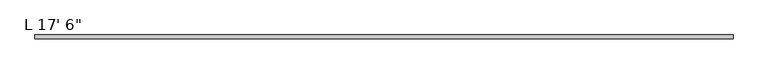
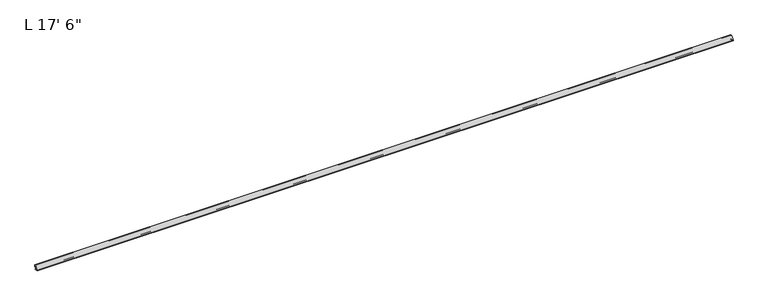
"""IFC4 building model written with IfcOpenShell, lengths in millimetres: proxy geometry."""

from ifc_helpers import new_model, si_unit, frame, origin, place, context, project, spatial, polyline, circle_curve, source, transform, mapped, element, save
from ifc_brep_helpers import plane_surface, cylinder_surface, revolved_surface, advanced_brep


def proxy_9a3fe20d(model_context):
    return source(origin(), model_context, "Body", "AdvancedBrep", [
        advanced_brep(
        [(5334.0, -9.9409866, 13.2079309), (5334.0, -25.2852988, 13.2299581), (5334.0, -26.8577822, 15.0181548), (5334.0, -3.421819, 38.3869285), (5334.0, -1.6381444, 36.8093175), (5334.0, -1.6445801, 32.3261378), (5334.0, -3.2187765, 30.7409724), (5334.0, -4.8423977, 30.4486422), (5334.0, -5.8886785, 28.9585271), (5334.0, -5.8942106, 25.1047795), (5334.0, -4.408503, 24.3218465), (5334.0, -4.408503, 25.2753318), (5334.0, -4.6453387, 26.1592146), (5334.0, -4.408503, 27.0430975), (5334.0, -4.6453387, 27.9269803), (5334.0, -4.3772219, 28.9276058), (5334.0, -2.0782154, 28.964728), (5334.0, -1.8001518, 27.9269803), (5334.0, -2.0369875, 27.0430975), (5334.0, -1.8001518, 26.1592146), (5334.0, -2.0369875, 25.2753318), (5334.0, -2.0369875, 24.3042215), (5334.0, -0.7961613, 24.3024403), (5334.0, 0.0, 25.0974594), (5334.0, 0.0, 40.1811514), (5334.0, -28.661793, 11.6473035), (5334.0, -24.9209577, 11.6419334), (5334.0, -21.7713609, 11.6374121), (5334.0, -17.1866657, 11.6308306), (5334.0, -14.0370689, 11.6263093), (5334.0, -11.2811717, 11.6223531), (5334.0, -9.6959523, 10.0325759), (5334.0, -7.9637322, 10.0325759), (5334.0, -8.1699585, 9.0623577), (5334.0, -7.9490433, 8.2919351), (5334.0, -8.1398857, 7.5265082), (5334.0, -7.972318, 6.7214745), (5334.0, -8.1655958, 5.9462793), (5334.0, -7.9834986, 5.0714427), (5334.0, -8.1776372, 4.2927955), (5334.0, -7.9880038, 3.3817532), (5334.0, -8.1786509, 2.4848291), (5334.0, -7.9862027, 1.6851507), (5334.0, -8.1553262, 0.8894873), (5334.0, -7.8893268, 0.0060645), (5334.0, -6.1091347, 0.0), (5334.0, -5.5808077, 0.6581076), (5334.0, -5.9684988, 1.3575208), (5334.0, -5.6321023, 2.0789255), (5334.0, -5.9631778, 2.7889192), (5334.0, -5.6042879, 3.5585611), (5334.0, -5.934397, 4.2664822), (5334.0, -5.5944321, 4.9955392), (5334.0, -5.9294957, 5.7140853), (5334.0, -5.5991801, 6.4224493), (5334.0, -6.0051261, 7.0980568), (5334.0, -5.5986989, 7.8345551), (5334.0, -5.9337229, 8.5870312), (5334.0, -5.5657997, 9.2789941), (5334.0, -5.8977295, 9.99082), (5334.0, -5.8977295, 11.6146251), (0.0, -9.9409866, 13.2079309), (0.0, -5.8977295, 11.6146251), (0.0, -5.8977295, 9.99082), (0.0, -9.6959523, 10.0325759), (0.0, -11.2811717, 11.6223531), (0.0, -14.0370689, 11.6263093), (0.0, -17.1866657, 11.6308306), (0.0, -21.7713609, 11.6374121), (0.0, -24.9209577, 11.6419334), (0.0, -28.661793, 11.6473035), (0.0, 0.0, 40.1811514), (0.0, 0.0, 25.0974594), (0.0, -0.7961613, 24.3024403), (0.0, -2.0369875, 24.3042215), (0.0, -2.0369875, 25.2753318), (0.0, -1.8001518, 26.1592146), (0.0, -2.0369875, 27.0430975), (0.0, -1.8001518, 27.9269803), (0.0, -2.0782154, 28.964728), (0.0, -4.3772219, 28.9276058), (0.0, -4.6453387, 27.9269803), (0.0, -4.408503, 27.0430975), (0.0, -4.6453387, 26.1592146), (0.0, -4.408503, 25.2753318), (0.0, -4.408503, 24.3218465), (0.0, -5.8942106, 25.1047795), (0.0, -5.8886785, 28.9585271), (0.0, -4.8423977, 30.4486422), (0.0, -3.2187765, 30.7409724), (0.0, -1.6445801, 32.3261378), (0.0, -1.6381444, 36.8093175), (0.0, -3.421819, 38.3869285), (0.0, -26.8577822, 15.0181548), (0.0, -25.2852988, 13.2299581), (50.8, -5.8977295, 10.0325759), (50.8, -7.9637322, 10.0325759), (50.8, -8.1699585, 9.0623577), (50.8, -7.9490433, 8.2919351), (50.8, -8.1398857, 7.5265082), (50.8, -7.972318, 6.7214745), (50.8, -8.1655958, 5.9462793), (50.8, -7.9834986, 5.0714427), (50.8, -8.1776372, 4.2927955), (50.8, -7.9880038, 3.3817532), (50.8, -8.1786509, 2.4848291), (50.8, -7.9862027, 1.6851507), (50.8, -8.1553262, 0.8894873), (50.8, -7.8893268, 0.0060645), (50.8, -6.1091347, 0.0), (50.8, -5.5808077, 0.6581076), (50.8, -5.9684988, 1.3575208), (50.8, -5.6321023, 2.0789255), (50.8, -5.9631778, 2.7889192), (50.8, -5.6042879, 3.5585611), (50.8, -5.934397, 4.2664822), (50.8, -5.5944321, 4.9955392), (50.8, -5.9294957, 5.7140853), (50.8, -5.5991801, 6.4224493), (50.8, -6.0051261, 7.0980568), (50.8, -5.5986989, 7.8345551), (50.8, -5.9337229, 8.5870312), (50.8, -5.5657997, 9.2789941)],
        [
            (0, 1),
            (1, 2, circle_curve(frame((5334.0, -25.2830199, 14.8174564), z_axis=(-1.0, 0.0, 0.0), x_axis=(0.0, 1.0, 0.0)), 1.5875)),
            (2, 3, circle_curve(frame((5334.0, -0.0868224, 11.6062833), z_axis=(-1.0, 0.0, 0.0), x_axis=(0.0, 1.0, 0.0)), 26.9875)),
            (3, 4, circle_curve(frame((5334.0, -3.2256427, 36.8115964), z_axis=(-1.0, 0.0, 0.0), x_axis=(0.0, 1.0, 0.0)), 1.5875)),
            (4, 5),
            (5, 6, circle_curve(frame((5334.0, -3.2320785, 32.3284167), z_axis=(-1.0, 0.0, 0.0), x_axis=(0.0, 1.0, 0.0)), 1.5875)),
            (6, 7, circle_curve(frame((5334.0, -3.1778658, 25.8587375), z_axis=(1.0, 0.0, 0.0), x_axis=(0.0, 1.0, 0.0)), 4.8824063)),
            (7, 8, circle_curve(frame((5334.0, -4.3011801, 28.9562482), z_axis=(1.0, 0.0, 0.0), x_axis=(0.0, 1.0, 0.0)), 1.5875)),
            (8, 9),
            (9, 10, circle_curve(frame((5334.0, -4.6497232, 25.6652219), z_axis=(1.0, 0.0, 0.0), x_axis=(0.0, 1.0, 0.0)), 1.3648606)),
            (10, 11),
            (11, 12),
            (12, 13),
            (13, 14),
            (14, 15),
            (15, 16, circle_curve(frame((5334.0, -3.1778658, 25.8587375), z_axis=(-1.0, 0.0, 0.0), x_axis=(0.0, 1.0, 0.0)), 3.2949063)),
            (16, 17),
            (17, 18),
            (18, 19),
            (19, 20),
            (20, 21),
            (21, 22),
            (22, 23, circle_curve(frame((5334.0, -0.79502, 25.0974594), z_axis=(1.0, 0.0, 0.0), x_axis=(0.0, 1.0, 0.0)), 0.79502)),
            (23, 24),
            (24, 25, circle_curve(frame((5334.0, -0.0868224, 11.6062833), z_axis=(1.0, 0.0, 0.0), x_axis=(0.0, 1.0, 0.0)), 28.575)),
            (25, 26),
            (26, 27, circle_curve(frame((5334.0, -23.3461593, 11.6396728), z_axis=(1.0, 0.0, 0.0), x_axis=(0.0, 1.0, 0.0)), 1.5748)),
            (27, 28),
            (28, 29, circle_curve(frame((5334.0, -15.6117367, 11.7195553), z_axis=(1.0, 0.0, 0.0), x_axis=(0.0, 1.0, 0.0)), 1.5774262)),
            (29, 30),
            (30, 31, circle_curve(frame((5334.0, -11.2834506, 10.0348548), z_axis=(-1.0, 0.0, 0.0), x_axis=(0.0, 1.0, 0.0)), 1.5875)),
            (31, 32),
            (32, 33),
            (33, 34),
            (34, 35),
            (35, 36),
            (36, 37),
            (37, 38),
            (38, 39),
            (39, 40),
            (40, 41),
            (41, 42),
            (42, 43),
            (43, 44),
            (44, 45, circle_curve(frame((5334.0, -7.0030343, -1.113481), z_axis=(-1.0, 0.0, 0.0), x_axis=(0.0, 1.0, 0.0)), 1.4278993)),
            (45, 46),
            (46, 47),
            (47, 48),
            (48, 49),
            (49, 50),
            (50, 51),
            (51, 52),
            (52, 53),
            (53, 54),
            (54, 55),
            (55, 56),
            (56, 57),
            (57, 58),
            (58, 59),
            (59, 60),
            (60, 0),
            (61, 62),
            (62, 63),
            (63, 64),
            (64, 65, circle_curve(frame((0.0, -11.2834506, 10.0348548), z_axis=(1.0, 0.0, 0.0), x_axis=(0.0, 1.0, 0.0)), 1.5875)),
            (65, 66),
            (66, 67, circle_curve(frame((0.0, -15.6117367, 11.7195553), z_axis=(-1.0, 0.0, 0.0), x_axis=(0.0, 1.0, 0.0)), 1.5774262)),
            (67, 68),
            (68, 69, circle_curve(frame((0.0, -23.3461593, 11.6396728), z_axis=(-1.0, 0.0, 0.0), x_axis=(0.0, 1.0, 0.0)), 1.5748)),
            (69, 70),
            (70, 71, circle_curve(frame((0.0, -0.0868224, 11.6062833), z_axis=(-1.0, 0.0, 0.0), x_axis=(0.0, 1.0, 0.0)), 28.575)),
            (71, 72),
            (72, 73, circle_curve(frame((0.0, -0.79502, 25.0974594), z_axis=(-1.0, 0.0, 0.0), x_axis=(0.0, 1.0, 0.0)), 0.79502)),
            (73, 74),
            (74, 75),
            (75, 76),
            (76, 77),
            (77, 78),
            (78, 79),
            (79, 80, circle_curve(frame((0.0, -3.1778658, 25.8587375), z_axis=(1.0, 0.0, 0.0), x_axis=(0.0, 1.0, 0.0)), 3.2949063)),
            (80, 81),
            (81, 82),
            (82, 83),
            (83, 84),
            (84, 85),
            (85, 86, circle_curve(frame((0.0, -4.6497232, 25.6652219), z_axis=(-1.0, 0.0, 0.0), x_axis=(0.0, 1.0, 0.0)), 1.3648606)),
            (86, 87),
            (87, 88, circle_curve(frame((0.0, -4.3011801, 28.9562482), z_axis=(-1.0, 0.0, 0.0), x_axis=(0.0, 1.0, 0.0)), 1.5875)),
            (88, 89, circle_curve(frame((0.0, -3.1778658, 25.8587375), z_axis=(-1.0, 0.0, 0.0), x_axis=(0.0, 1.0, 0.0)), 4.8824063)),
            (89, 90, circle_curve(frame((0.0, -3.2320785, 32.3284167), z_axis=(1.0, 0.0, 0.0), x_axis=(0.0, 1.0, 0.0)), 1.5875)),
            (90, 91),
            (91, 92, circle_curve(frame((0.0, -3.2256427, 36.8115964), z_axis=(1.0, 0.0, 0.0), x_axis=(0.0, 1.0, 0.0)), 1.5875)),
            (92, 93, circle_curve(frame((0.0, -0.0868224, 11.6062833), z_axis=(1.0, 0.0, 0.0), x_axis=(0.0, 1.0, 0.0)), 26.9875)),
            (93, 94, circle_curve(frame((0.0, -25.2830199, 14.8174564), z_axis=(1.0, 0.0, 0.0), x_axis=(0.0, 1.0, 0.0)), 1.5875)),
            (94, 61),
            (0, 61),
            (94, 1),
            (93, 2),
            (92, 3),
            (91, 4),
            (90, 5),
            (89, 6),
            (88, 7),
            (87, 8),
            (86, 9),
            (85, 10),
            (84, 11),
            (83, 12),
            (82, 13),
            (81, 14),
            (80, 15),
            (79, 16),
            (78, 17),
            (77, 18),
            (76, 19),
            (75, 20),
            (74, 21),
            (73, 22),
            (72, 23),
            (71, 24),
            (70, 25),
            (69, 26),
            (68, 27),
            (67, 28),
            (66, 29),
            (65, 30),
            (64, 31),
            (63, 95),
            (95, 96),
            (96, 32),
            (96, 97),
            (97, 33),
            (97, 98),
            (98, 34),
            (98, 99),
            (99, 35),
            (99, 100),
            (100, 36),
            (100, 101),
            (101, 37),
            (101, 102),
            (102, 38),
            (102, 103),
            (103, 39),
            (103, 104),
            (104, 40),
            (104, 105),
            (105, 41),
            (105, 106),
            (106, 42),
            (106, 107),
            (107, 43),
            (107, 108),
            (108, 44),
            (108, 109, circle_curve(frame((50.8, -7.0030343, -1.113481), z_axis=(-1.0, 0.0, 0.0), x_axis=(0.0, 1.0, 0.0)), 1.4278993)),
            (109, 45),
            (109, 110),
            (110, 46),
            (110, 111),
            (111, 47),
            (111, 112),
            (112, 48),
            (112, 113),
            (113, 49),
            (113, 114),
            (114, 50),
            (114, 115),
            (115, 51),
            (115, 116),
            (116, 52),
            (116, 117),
            (117, 53),
            (117, 118),
            (118, 54),
            (118, 119),
            (119, 55),
            (119, 120),
            (120, 56),
            (120, 121),
            (121, 57),
            (121, 122),
            (122, 58),
            (122, 95),
            (95, 59),
            (62, 60),
        ],
        [
            plane_surface(frame((5334.0, -25.2852988, 13.2299581), z_axis=(1.0000000000000002, 0.0, 0.0), x_axis=(0.0, -0.9999989696321183, 0.0014355259321180123))),
            plane_surface(frame((0.0, -25.2852988, 13.2299581), z_axis=(-1.0000000000000002, 0.0, 0.0), x_axis=(0.0, 0.9999989696321183, -0.0014355259321180123))),
            plane_surface(frame((5334.0, -9.9409866, 13.2079309), z_axis=(0.0, 0.0014355259321180123, 0.9999989696321183), x_axis=(-1.0, 0.0, 0.0))),
            revolved_surface(polyline([(0.0, -23.6955199, 14.8174564), (5334.0, -23.6955199, 14.8174564)]), (0.0, -25.2830199, 14.8174564), (-1.0, 0.0, 0.0)),
            revolved_surface(polyline([(0.0, 26.9006776, 11.6062833), (5334.0, 26.9006776, 11.6062833)]), (0.0, -0.0868224, 11.6062833), (-1.0, 0.0, 0.0)),
            revolved_surface(polyline([(0.0, -1.6381427, 36.8115964), (5334.0, -1.6381427, 36.8115964)]), (0.0, -3.2256427, 36.8115964), (-1.0, 0.0, 0.0)),
            plane_surface(frame((5334.0, -1.6381444, 36.8093175), z_axis=(0.0, -0.9999989696321232, 0.0014355259287207938), x_axis=(-1.0, 0.0, 0.0))),
            revolved_surface(polyline([(0.0, -1.6445785000000002, 32.3284167), (5334.0, -1.6445785000000002, 32.3284167)]), (0.0, -3.2320785, 32.3284167), (-1.0, 0.0, 0.0)),
            cylinder_surface(frame((0.0, -3.1778658, 25.8587375), z_axis=(1.0, 0.0, 0.0), x_axis=(0.0, 1.0, 0.0)), 4.8824063),
            cylinder_surface(frame((0.0, -4.3011801, 28.9562482), z_axis=(1.0, 0.0, 0.0), x_axis=(0.0, 1.0, 0.0)), 1.5875),
            plane_surface(frame((5334.0, -5.8886785, 28.9585271), z_axis=(0.0, -0.9999989696323093, 0.0014355257991508098), x_axis=(-1.0, 0.0, 0.0))),
            cylinder_surface(frame((0.0, -4.6497232, 25.6652219), z_axis=(1.0, 0.0, 0.0), x_axis=(0.0, 1.0, 0.0)), 1.3648606),
            plane_surface(frame((5334.0, -4.408503, 24.3218465), z_axis=(0.0, 1.0, 0.0), x_axis=(-1.0, 0.0, 0.0))),
            plane_surface(frame((5334.0, -4.408503, 25.2753318), z_axis=(0.0, 0.965925826289068, 0.2588190451025222), x_axis=(-1.0, 0.0, 0.0))),
            plane_surface(frame((5334.0, -4.6453387, 26.1592146), z_axis=(0.0, 0.965925826289067, -0.2588190451025257), x_axis=(-1.0, 0.0, 0.0))),
            plane_surface(frame((5334.0, -4.408503, 27.0430975), z_axis=(0.0, 0.9659258262890689, 0.25881904510251874), x_axis=(-1.0, 0.0, 0.0))),
            plane_surface(frame((5334.0, -4.6453387, 27.9269803), z_axis=(0.0, 0.9659258262890673, -0.25881904510252446), x_axis=(-1.0, 0.0, 0.0))),
            revolved_surface(polyline([(0.0, 0.11704049999999988, 25.8587375), (5334.0, 0.11704049999999988, 25.8587375)]), (0.0, -3.1778658, 25.8587375), (-1.0, 0.0, 0.0)),
            plane_surface(frame((5334.0, -2.0782154, 28.964728), z_axis=(0.0, -0.9659258262890682, -0.2588190451025213), x_axis=(-1.0, 0.0, 0.0))),
            plane_surface(frame((5334.0, -1.8001518, 27.9269803), z_axis=(0.0, -0.9659258262890678, 0.2588190451025232), x_axis=(-1.0, 0.0, 0.0))),
            plane_surface(frame((5334.0, -2.0369875, 27.0430975), z_axis=(0.0, -0.9659258262890688, -0.25881904510251924), x_axis=(-1.0, 0.0, 0.0))),
            plane_surface(frame((5334.0, -1.8001518, 26.1592146), z_axis=(0.0, -0.9659258262890672, 0.25881904510252524), x_axis=(-1.0, 0.0, 0.0))),
            plane_surface(frame((5334.0, -2.0369875, 25.2753318), z_axis=(0.0, -1.0, 0.0), x_axis=(-1.0, 0.0, 0.0))),
            plane_surface(frame((5334.0, -2.0369875, 24.3042215), z_axis=(0.0, -0.0014355258693928513, -0.9999989696322084), x_axis=(-1.0, 0.0, 0.0))),
            cylinder_surface(frame((0.0, -0.79502, 25.0974594), z_axis=(1.0, 0.0, 0.0), x_axis=(0.0, 1.0, 0.0)), 0.79502),
            plane_surface(frame((5334.0, 0.0, 25.0974594), z_axis=(0.0, 1.0, -1.6740181840680922e-12), x_axis=(-1.0, 0.0, 0.0))),
            cylinder_surface(frame((0.0, -0.0868224, 11.6062833), z_axis=(1.0, 0.0, 0.0), x_axis=(0.0, 1.0, 0.0)), 28.575),
            plane_surface(frame((5334.0, -28.661793, 11.6473035), z_axis=(0.0, -0.0014355259265452364, -0.9999989696321263), x_axis=(-1.0, 0.0, 0.0))),
            cylinder_surface(frame((0.0, -23.3461593, 11.6396728), z_axis=(1.0, 0.0, 0.0), x_axis=(0.0, 1.0, 0.0)), 1.5748),
            plane_surface(frame((5334.0, -21.7713609, 11.6374121), z_axis=(0.0, -0.0014355259252456774, -0.9999989696321282), x_axis=(-1.0, 0.0, 0.0))),
            cylinder_surface(frame((0.0, -15.6117367, 11.7195553), z_axis=(1.0, 0.0, 0.0), x_axis=(0.0, 1.0, 0.0)), 1.5774262),
            plane_surface(frame((5334.0, -14.0370689, 11.6263093), z_axis=(0.0, -0.0014355258904069552, -0.9999989696321782), x_axis=(-1.0, 0.0, 0.0))),
            revolved_surface(polyline([(0.0, -9.6959506, 10.0348548), (5334.0, -9.6959506, 10.0348548)]), (0.0, -11.2834506, 10.0348548), (-1.0, 0.0, 0.0)),
            plane_surface(frame((5334.0, -9.6959523, 10.0325759), z_axis=(0.0, 0.0, -1.0), x_axis=(-1.0, 0.0, 0.0))),
            plane_surface(frame((5334.0, -7.9637322, 10.0325759), z_axis=(0.0, -0.9781476007338082, 0.20791169081774724), x_axis=(-1.0, 0.0, 0.0))),
            plane_surface(frame((5334.0, -8.1699585, 9.0623577), z_axis=(0.0, -0.9612616959383189, -0.275637355816999), x_axis=(-1.0, 0.0, 0.0))),
            plane_surface(frame((5334.0, -7.9490433, 8.2919351), z_axis=(0.0, -0.9702957262759963, 0.2419218955996685), x_axis=(-1.0, 0.0, 0.0))),
            plane_surface(frame((5334.0, -8.1398857, 7.5265082), z_axis=(0.0, -0.979016250472178, -0.20378219085925484), x_axis=(-1.0, 0.0, 0.0))),
            plane_surface(frame((5334.0, -7.972318, 6.7214745), z_axis=(0.0, -0.9702957262759963, 0.24192189559966876), x_axis=(-1.0, 0.0, 0.0))),
            plane_surface(frame((5334.0, -8.1655958, 5.9462793), z_axis=(0.0, -0.9790162504721779, -0.20378219085925506), x_axis=(-1.0, 0.0, 0.0))),
            plane_surface(frame((5334.0, -7.9834986, 5.0714427), z_axis=(0.0, -0.9702957262759974, 0.24192189559966443), x_axis=(-1.0, 0.0, 0.0))),
            plane_surface(frame((5334.0, -8.1776372, 4.2927955), z_axis=(0.0, -0.9790162504721778, -0.20378219085925559), x_axis=(-1.0, 0.0, 0.0))),
            plane_surface(frame((5334.0, -7.9880038, 3.3817532), z_axis=(0.0, -0.978147600733807, 0.20791169081775282), x_axis=(-1.0, 0.0, 0.0))),
            plane_surface(frame((5334.0, -8.1786509, 2.4848291), z_axis=(0.0, -0.9722421717392606, -0.23397683537420133), x_axis=(-1.0, 0.0, 0.0))),
            plane_surface(frame((5334.0, -7.9862027, 1.6851507), z_axis=(0.0, -0.978147600733807, 0.2079116908177529), x_axis=(-1.0, 0.0, 0.0))),
            plane_surface(frame((5334.0, -8.1553262, 0.8894873), z_axis=(0.0, -0.9575356612911569, -0.2883148580210653), x_axis=(-1.0, 0.0, 0.0))),
            revolved_surface(polyline([(50.8, -5.575135, -1.113481), (5334.0, -5.575135, -1.113481)]), (0.0, -7.0030343, -1.113481), (-1.0, 0.0, 0.0)),
            plane_surface(frame((5334.0, -6.1091347, 0.0), z_axis=(0.0, 0.7798035897341163, -0.6260242498799756), x_axis=(-1.0, 0.0, 0.0))),
            plane_surface(frame((5334.0, -5.5808077, 0.6581076), z_axis=(0.0, 0.8746197071393959, 0.48480962024633695), x_axis=(-1.0, 0.0, 0.0))),
            plane_surface(frame((5334.0, -5.9684988, 1.3575208), z_axis=(0.0, 0.9063077870366543, -0.42261826174069034), x_axis=(-1.0, 0.0, 0.0))),
            plane_surface(frame((5334.0, -5.6321023, 2.0789255), z_axis=(0.0, 0.9063077870366497, 0.4226182617407002), x_axis=(-1.0, 0.0, 0.0))),
            plane_surface(frame((5334.0, -5.9631778, 2.7889192), z_axis=(0.0, 0.9063077870366467, -0.4226182617407064), x_axis=(-1.0, 0.0, 0.0))),
            plane_surface(frame((5334.0, -5.6042879, 3.5585611), z_axis=(0.0, 0.9063077870366527, 0.4226182617406936), x_axis=(-1.0, 0.0, 0.0))),
            plane_surface(frame((5334.0, -5.934397, 4.2664822), z_axis=(0.0, 0.9063077870366474, -0.4226182617407052), x_axis=(-1.0, 0.0, 0.0))),
            plane_surface(frame((5334.0, -5.5944321, 4.9955392), z_axis=(0.0, 0.9063077870366503, 0.42261826174069883), x_axis=(-1.0, 0.0, 0.0))),
            plane_surface(frame((5334.0, -5.9294957, 5.7140853), z_axis=(0.0, 0.9063077870366522, -0.4226182617406949), x_axis=(-1.0, 0.0, 0.0))),
            plane_surface(frame((5334.0, -5.5991801, 6.4224493), z_axis=(0.0, 0.8571673007021121, 0.5150380749100546), x_axis=(-1.0, 0.0, 0.0))),
            plane_surface(frame((5334.0, -6.0051261, 7.0980568), z_axis=(0.0, 0.8755358100350454, -0.48315323174566155), x_axis=(-1.0, 0.0, 0.0))),
            plane_surface(frame((5334.0, -5.5986989, 7.8345551), z_axis=(0.0, 0.9135454576426009, 0.4067366430758003), x_axis=(-1.0, 0.0, 0.0))),
            plane_surface(frame((5334.0, -5.9337229, 8.5870312), z_axis=(0.0, 0.8829475928589274, -0.46947156278588986), x_axis=(-1.0, 0.0, 0.0))),
            plane_surface(frame((5334.0, -5.5657997, 9.2789941), z_axis=(0.0, 0.9063077870366524, 0.4226182617406945), x_axis=(-1.0, 0.0, 0.0))),
            plane_surface(frame((5334.0, -5.8977295, 9.99082), z_axis=(0.0, 1.0, 0.0), x_axis=(-1.0, 0.0, 0.0))),
            plane_surface(frame((5334.0, -5.8977295, 11.6146251), z_axis=(0.0, 0.36662562361540507, 0.9303685571366948), x_axis=(-1.0, 0.0, 0.0))),
            plane_surface(frame((50.8, -10.2605909, 0.0), z_axis=(-1.0, 0.0, 0.0), x_axis=(0.0, 1.0, 0.0))),
        ],
        [
            (0, [[1, 2, 3, 4, 5, 6, 7, 8, 9, 10, 11, 12, 13, 14, 15, 16, 17, 18, 19, 20, 21, 22, 23, 24, 25, 26, 27, 28, 29, 30, 31, 32, 33, 34, 35, 36, 37, 38, 39, 40, 41, 42, 43, 44, 45, 46, 47, 48, 49, 50, 51, 52, 53, 54, 55, 56, 57, 58, 59, 60, 61]]),
            (1, [[62, 63, 64, 65, 66, 67, 68, 69, 70, 71, 72, 73, 74, 75, 76, 77, 78, 79, 80, 81, 82, 83, 84, 85, 86, 87, 88, 89, 90, 91, 92, 93, 94, 95]]),
            (2, [[-1, 96, -95, 97]]),
            (3, [[-2, -97, -94, 98]]),
            (4, [[-3, -98, -93, 99]]),
            (5, [[-4, -99, -92, 100]]),
            (6, [[-5, -100, -91, 101]]),
            (7, [[-6, -101, -90, 102]]),
            (8, [[-7, -102, -89, 103]]),
            (9, [[-8, -103, -88, 104]]),
            (10, [[-9, -104, -87, 105]]),
            (11, [[-10, -105, -86, 106]]),
            (12, [[-11, -106, -85, 107]]),
            (13, [[-12, -107, -84, 108]]),
            (14, [[-13, -108, -83, 109]]),
            (15, [[-14, -109, -82, 110]]),
            (16, [[-15, -110, -81, 111]]),
            (17, [[-16, -111, -80, 112]]),
            (18, [[-17, -112, -79, 113]]),
            (19, [[-18, -113, -78, 114]]),
            (20, [[-19, -114, -77, 115]]),
            (21, [[-20, -115, -76, 116]]),
            (22, [[-21, -116, -75, 117]]),
            (23, [[-22, -117, -74, 118]]),
            (24, [[-23, -118, -73, 119]]),
            (25, [[-24, -119, -72, 120]]),
            (26, [[-25, -120, -71, 121]]),
            (27, [[-26, -121, -70, 122]]),
            (28, [[-27, -122, -69, 123]]),
            (29, [[-28, -123, -68, 124]]),
            (30, [[-29, -124, -67, 125]]),
            (31, [[-30, -125, -66, 126]]),
            (32, [[127, -31, -126, -65]]),
            (33, [[-32, -127, -64, 128, 129, 130]]),
            (34, [[-33, -130, 131, 132]]),
            (35, [[-34, -132, 133, 134]]),
            (36, [[-35, -134, 135, 136]]),
            (37, [[-36, -136, 137, 138]]),
            (38, [[-37, -138, 139, 140]]),
            (39, [[-38, -140, 141, 142]]),
            (40, [[-39, -142, 143, 144]]),
            (41, [[-40, -144, 145, 146]]),
            (42, [[-41, -146, 147, 148]]),
            (43, [[-42, -148, 149, 150]]),
            (44, [[-43, -150, 151, 152]]),
            (45, [[-44, -152, 153, 154]]),
            (46, [[-45, -154, 155, 156]]),
            (47, [[-46, -156, 157, 158]]),
            (48, [[-47, -158, 159, 160]]),
            (49, [[-48, -160, 161, 162]]),
            (50, [[-49, -162, 163, 164]]),
            (51, [[-50, -164, 165, 166]]),
            (52, [[-51, -166, 167, 168]]),
            (53, [[-52, -168, 169, 170]]),
            (54, [[-53, -170, 171, 172]]),
            (55, [[-54, -172, 173, 174]]),
            (56, [[-55, -174, 175, 176]]),
            (57, [[-56, -176, 177, 178]]),
            (58, [[-57, -178, 179, 180]]),
            (59, [[-58, -180, 181, 182]]),
            (60, [[-59, -182, 183, 184]]),
            (61, [[-60, -184, -128, -63, 185]]),
            (62, [[-61, -185, -62, -96]]),
            (63, [[-129, -183, -181, -179, -177, -175, -173, -171, -169, -167, -165, -163, -161, -159, -157, -155, -153, -151, -149, -147, -145, -143, -141, -139, -137, -135, -133, -131]]),
        ],
    ),
    ])


if __name__ == "__main__":
    model = new_model("IFC4")
    model_context = context("Model", 3, world=origin())
    ifc_project = project(units=[si_unit("LENGTHUNIT", "METRE", prefix="MILLI")], contexts=[model_context])
    site = spatial("IfcSite", under=ifc_project)
    building = spatial("IfcBuilding", under=site)
    placement = place(None, origin())
    proxy_shape = proxy_9a3fe20d(model_context)
    element("IfcBuildingElementProxy", 1, Name="L 17' 6\"", ObjectType="L 17' 6\"", at=placement, inside=building, context=model_context, shape_type="MappedRepresentation", body=[
        mapped(proxy_shape, transform((0.0, 0.0, 0.0), x_axis=(1.0, 0.0, 0.0), y_axis=(0.0, 1.0, 0.0), z_axis=(0.0, 0.0, 1.0))),
    ])
    save(model, "model.ifc")
